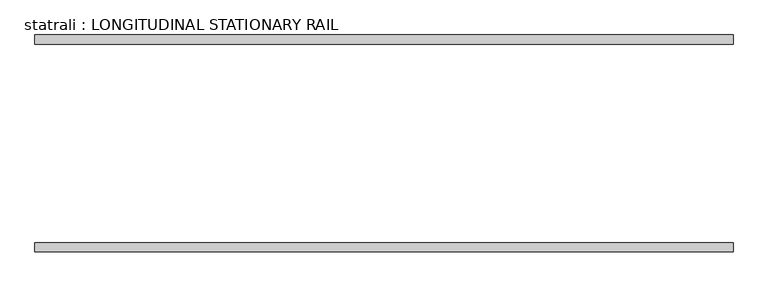
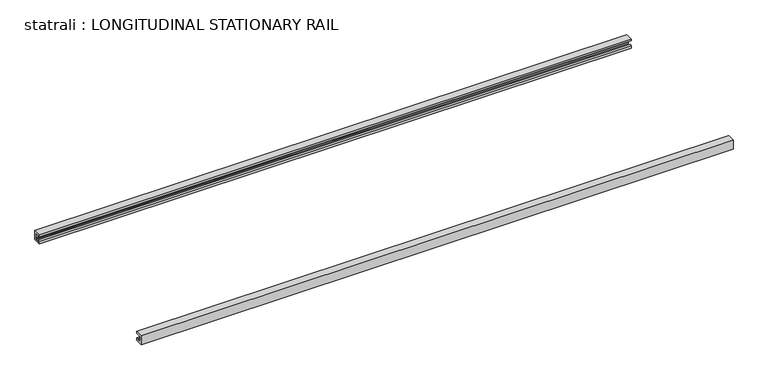
"""IFC4 building model written with IfcOpenShell, lengths in millimetres: proxy geometry, statrali : LONGITUDINAL STATIONARY RAIL."""

from ifc_helpers import new_model, si_unit, frame, origin, place, context, project, spatial, polyline, outline, extrude, source, transform, mapped, element, save


def statrali_longitudinal_stationary_rail_5566099e(model_context):
    return source(origin(), model_context, "Body", "SweptSolid", [
        extrude(outline(polyline([(-2586.5970657, 2743.2), (-2523.0970657, 2743.2), (-2523.0970657, 2729.5879123), (-2575.6845024, 2729.5879123), (-2575.6845024, 2689.9004123), (-2566.8437974, 2689.9004123), (-2566.8437974, 2680.2041551), (-2540.1362759, 2680.2041551), (-2540.1362759, 2689.9004123), (-2523.0970657, 2689.9004123), (-2523.0970657, 2667.0), (-2586.5970657, 2667.0), (-2586.5970657, 2743.2)])), frame((651.4012711, 0.0, 0.0), z_axis=(1.0, 0.0, 0.0), x_axis=(0.0, 1.0, 0.0)), (0.0, 0.0, 1.0), 4826.0),
        extrude(outline(polyline([(-1087.9970657, 2743.2), (-1087.9970657, 2667.0), (-1151.4970657, 2667.0), (-1151.4970657, 2689.9004123), (-1134.4578554, 2689.9004123), (-1134.4578554, 2680.2041551), (-1107.750334, 2680.2041551), (-1107.750334, 2689.9004123), (-1098.9096289, 2689.9004123), (-1098.9096289, 2729.5879123), (-1151.4970657, 2729.5879123), (-1151.4970657, 2743.2), (-1087.9970657, 2743.2)])), frame((651.4012711, 0.0, 0.0), z_axis=(1.0, 0.0, 0.0), x_axis=(0.0, 1.0, 0.0)), (0.0, 0.0, 1.0), 4826.0),
    ])


if __name__ == "__main__":
    model = new_model("IFC4")
    model_context = context("Model", 3, world=origin())
    ifc_project = project(units=[si_unit("LENGTHUNIT", "METRE", prefix="MILLI")], contexts=[model_context])
    site = spatial("IfcSite", under=ifc_project)
    building = spatial("IfcBuilding", under=site)
    placement = place(None, origin())
    statrali_longitudinal_stationary_rail_shape = statrali_longitudinal_stationary_rail_5566099e(model_context)
    element("IfcBuildingElementProxy", 1, Name="statrali : LONGITUDINAL STATIONARY RAIL", ObjectType="statrali : LONGITUDINAL STATIONARY RAIL", at=placement, inside=building, context=model_context, shape_type="MappedRepresentation", body=[
        mapped(statrali_longitudinal_stationary_rail_shape, transform((0.0, 0.0, 0.0), x_axis=(1.0, 0.0, 0.0), y_axis=(0.0, 1.0, 0.0), z_axis=(0.0, 0.0, 1.0))),
    ])
    save(model, "model.ifc")
